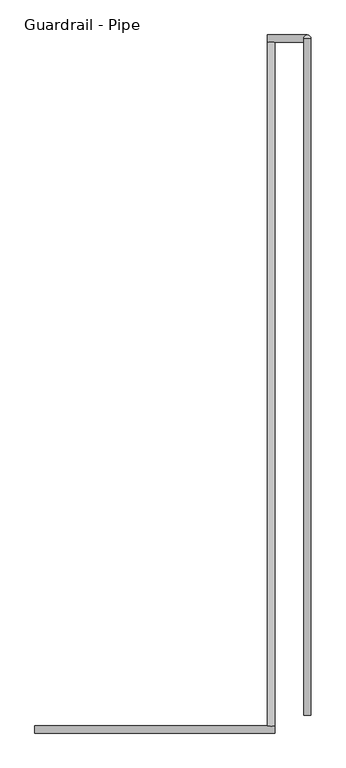
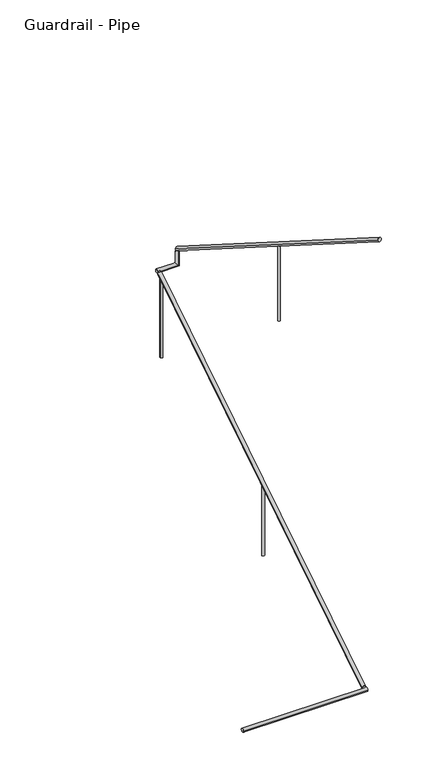
"""IFC4 building model written with IfcOpenShell, lengths in millimetres: railing geometry, Guardrail - Pipe."""

from ifc_helpers import new_model, si_unit, frame, origin, place, context, project, spatial, circle_curve, ellipse_curve, source, transform, mapped, element, save
from ifc_brep_helpers import plane_surface, cylinder_surface, advanced_brep


def guardrail_pipe_96e6d972(model_context):
    return source(origin(), model_context, "Body", "AdvancedBrep", [
        advanced_brep(
        [(662052.3754676, -293402.5580223, 880.1377262), (662090.4754676, -293402.5580223, 880.1377262), (662052.3754676, -289732.2580223, 3203.4252683), (662090.4754676, -289732.2580223, 3203.4252683)],
        [
            (0, 1, ellipse_curve(frame((662071.4254676, -293402.5580223, 880.1377262), z_axis=(0.0, -1.0, 0.0), x_axis=(0.0, 0.0, -1.0)), 22.5457755, 19.05)),
            (1, 0, ellipse_curve(frame((662071.4254676, -293402.5580223, 880.1377262), z_axis=(0.0, -1.0, 0.0), x_axis=(0.0, 0.0, -1.0)), 22.5457755, 19.05)),
            (2, 3, ellipse_curve(frame((662071.4254676, -289732.2580223, 3203.4252683), z_axis=(0.0, 1.0, 0.0), x_axis=(0.0, 0.0, -1.0)), 22.5457755, 19.05)),
            (3, 2, ellipse_curve(frame((662071.4254676, -289732.2580223, 3203.4252683), z_axis=(0.0, 1.0, 0.0), x_axis=(0.0, 0.0, -1.0)), 22.5457755, 19.05)),
            (1, 3),
            (2, 0),
        ],
        [
            plane_surface(frame((662071.4254676, -293402.5580223, 902.6835017), z_axis=(0.0, -1.0, 0.0), x_axis=(0.0, 0.0, 1.0))),
            plane_surface(frame((662071.4254676, -289732.2580223, 3225.9710438), z_axis=(0.0, 1.0, 0.0), x_axis=(0.0, 0.0, 1.0))),
            cylinder_surface(frame((662071.4254676, -293392.3691486, 886.587249), z_axis=(0.0, -0.8449476488296452, -0.5348490167675869), x_axis=(1.0, 0.0, 0.0)), 19.05),
        ],
        [
            (0, [[1, 2]]),
            (1, [[3, 4]]),
            (2, [[-2, 5, -3, 6]]),
            (2, [[-1, -6, -4, -5]]),
        ],
    ),
        advanced_brep(
        [(662052.3754676, -289694.1580223, 3218.9796296), (662052.3754676, -289732.2580223, 3218.9796296), (662265.9457983, -289732.2580223, 3218.9796296), (662265.9457983, -289694.1580223, 3218.9796296), (662265.9457983, -289694.1580223, 3357.738752), (662265.9457983, -289732.2580223, 3381.8559237)],
        [
            (0, 1, circle_curve(frame((662052.3754676, -289713.2080223, 3218.9796296), z_axis=(-1.0, 0.0, 0.0), x_axis=(0.0, -1.0, 0.0)), 19.05)),
            (1, 0, circle_curve(frame((662052.3754676, -289713.2080223, 3218.9796296), z_axis=(-1.0, 0.0, 0.0), x_axis=(0.0, -1.0, 0.0)), 19.05)),
            (1, 2),
            (2, 3, ellipse_curve(frame((662265.9457983, -289713.2080223, 3218.9796296), z_axis=(-0.7071067811865475, 0.0, -0.7071067811865475), x_axis=(-0.7071067811865476, 0.0, 0.7071067811865474)), 26.9407684, 19.05)),
            (3, 0),
            (3, 2, ellipse_curve(frame((662265.9457983, -289713.2080223, 3218.9796296), z_axis=(-0.7071067811865475, 0.0, -0.7071067811865475), x_axis=(-0.7071067811865476, 0.0, 0.7071067811865474)), 26.9407684, 19.05)),
            (4, 5, ellipse_curve(frame((662265.9457983, -289713.2080223, 3369.7973379), z_axis=(0.0, 0.5348490167675869, 0.8449476488296452), x_axis=(0.0, 0.8449476488296452, -0.5348490167675869)), 22.5457755, 19.05)),
            (5, 4, ellipse_curve(frame((662265.9457983, -289713.2080223, 3369.7973379), z_axis=(0.0, 0.5348490167675869, 0.8449476488296452), x_axis=(0.0, 0.8449476488296452, -0.5348490167675869)), 22.5457755, 19.05)),
            (2, 5),
            (4, 3),
        ],
        [
            plane_surface(frame((662052.3754676, -289713.2080223, 3238.0296296), z_axis=(-1.0, 0.0, 0.0), x_axis=(0.0, 1.0, 0.0))),
            cylinder_surface(frame((662052.3754676, -289713.2080223, 3218.9796296), z_axis=(-1.0, 0.0, 0.0), x_axis=(0.0, -1.0, 0.0)), 19.05),
            plane_surface(frame((662246.8957983, -289713.2080223, 3369.7973379), z_axis=(0.0, 0.5348490167675869, 0.8449476488296452), x_axis=(1.0, 0.0, 0.0))),
            cylinder_surface(frame((662265.9457983, -289713.2080223, 3238.0296296), z_axis=(0.0, 0.0, -1.0), x_axis=(0.0, -1.0, 0.0)), 19.05),
        ],
        [
            (0, [[1, 2]]),
            (1, [[-2, 3, 4, 5]]),
            (1, [[-1, -5, 6, -3]]),
            (2, [[7, 8]]),
            (3, [[-4, 9, -7, 10]]),
            (3, [[-6, -10, -8, -9]]),
        ],
    ),
        advanced_brep(
        [(662284.9957983, -289713.2080223, 3392.3431134), (662246.8957983, -289713.2080223, 3392.3431134), (662284.9957983, -293345.4080223, 5691.5134838), (662246.8957983, -293345.4080223, 5691.5134838)],
        [
            (0, 1, ellipse_curve(frame((662265.9457983, -289713.2080223, 3392.3431134), z_axis=(0.0, 1.0, 0.0), x_axis=(0.0, 0.0, -1.0)), 22.5457755, 19.05)),
            (1, 0, ellipse_curve(frame((662265.9457983, -289713.2080223, 3392.3431134), z_axis=(0.0, 1.0, 0.0), x_axis=(0.0, 0.0, -1.0)), 22.5457755, 19.05)),
            (2, 3, ellipse_curve(frame((662265.9457983, -293345.4080223, 5691.5134838), z_axis=(0.0, -1.0, 0.0), x_axis=(0.0, 0.0, -1.0)), 22.5457755, 19.05)),
            (3, 2, ellipse_curve(frame((662265.9457983, -293345.4080223, 5691.5134838), z_axis=(0.0, -1.0, 0.0), x_axis=(0.0, 0.0, -1.0)), 22.5457755, 19.05)),
            (1, 3),
            (2, 0),
        ],
        [
            plane_surface(frame((662265.9457983, -289713.2080223, 3414.8888889), z_axis=(0.0, 1.0, 0.0), x_axis=(0.0, 0.0, -1.0))),
            plane_surface(frame((662265.9457983, -293345.4080223, 5714.0592593), z_axis=(0.0, -1.0, 0.0), x_axis=(0.0, 0.0, -1.0))),
            cylinder_surface(frame((662265.9457983, -289723.3968961, 3398.7926362), z_axis=(0.0, 0.8449476488296452, -0.5348490167675869), x_axis=(-1.0, 0.0, 0.0)), 19.05),
        ],
        [
            (0, [[1, 2]]),
            (1, [[3, 4]]),
            (2, [[-2, 5, -3, 6]]),
            (2, [[-1, -6, -4, -5]]),
        ],
    ),
        advanced_brep(
        [(660801.4254676, -293402.5580223, 871.5749158), (660801.4254676, -293440.6580223, 871.5749158), (662090.4754676, -293402.5580223, 871.5749158), (662090.4754676, -293440.6580223, 871.5749158)],
        [
            (0, 1, circle_curve(frame((660801.4254676, -293421.6080223, 871.5749158), z_axis=(-1.0, 0.0, 0.0), x_axis=(0.0, -1.0, 0.0)), 19.05)),
            (1, 0, circle_curve(frame((660801.4254676, -293421.6080223, 871.5749158), z_axis=(-1.0, 0.0, 0.0), x_axis=(0.0, -1.0, 0.0)), 19.05)),
            (2, 3, circle_curve(frame((662090.4754676, -293421.6080223, 871.5749158), z_axis=(1.0, 0.0, 0.0), x_axis=(0.0, -1.0, 0.0)), 19.05)),
            (3, 2, circle_curve(frame((662090.4754676, -293421.6080223, 871.5749158), z_axis=(1.0, 0.0, 0.0), x_axis=(0.0, -1.0, 0.0)), 19.05)),
            (0, 2),
            (3, 1),
        ],
        [
            plane_surface(frame((660801.4254676, -293421.6080223, 890.6249158), z_axis=(-1.0, 0.0, 0.0), x_axis=(0.0, 1.0, 0.0))),
            plane_surface(frame((662090.4754676, -293421.6080223, 890.6249158), z_axis=(1.0, 0.0, 0.0), x_axis=(0.0, 1.0, 0.0))),
            cylinder_surface(frame((660801.4254676, -293421.6080223, 871.5749158), z_axis=(-1.0, 0.0, 0.0), x_axis=(0.0, -1.0, 0.0)), 19.05),
        ],
        [
            (0, [[1, 2]]),
            (1, [[3, 4]]),
            (2, [[-1, 5, -4, 6]]),
            (2, [[-2, -6, -3, -5]]),
        ],
    ),
        advanced_brep(
        [(662253.2457983, -291542.0080223, 4527.4215803), (662253.2457983, -291542.0080223, 3714.0444444), (662278.6457983, -291542.0080223, 3714.0444444), (662278.6457983, -291542.0080223, 4527.4215803)],
        [
            (0, 1),
            (1, 2, circle_curve(frame((662265.9457983, -291542.0080223, 3714.0444444), z_axis=(0.0, 0.0, 1.0), x_axis=(1.0, 0.0, 0.0)), 12.7)),
            (2, 3),
            (3, 0, ellipse_curve(frame((662265.9457983, -291542.0080223, 4527.4215803), z_axis=(0.0, -0.5348490167675828, -0.844947648829648), x_axis=(0.0, -0.8449476488296481, 0.5348490167675825)), 15.030517, 12.7)),
            (0, 3, ellipse_curve(frame((662265.9457983, -291542.0080223, 4527.4215803), z_axis=(0.0, -0.5348490167675828, -0.844947648829648), x_axis=(0.0, -0.8449476488296481, 0.5348490167675825)), 15.030517, 12.7)),
            (2, 1, circle_curve(frame((662265.9457983, -291542.0080223, 3714.0444444), z_axis=(0.0, 0.0, 1.0), x_axis=(1.0, 0.0, 0.0)), 12.7)),
        ],
        [
            cylinder_surface(frame((662265.9457983, -291542.0080223, 3485.4444444), z_axis=(0.0, 0.0, 1.0), x_axis=(1.0, 0.0, 0.0)), 12.7),
            plane_surface(frame((662291.3457983, -291567.4080223, 4543.4996948), z_axis=(0.0, 0.5348490167675828, 0.844947648829648), x_axis=(-1.0, 0.0, 0.0))),
            plane_surface(frame((662291.3457983, -291516.6080223, 3714.0444444), z_axis=(0.0, 0.0, -1.0), x_axis=(-1.0, 0.0, 0.0))),
        ],
        [
            (0, [[1, 2, 3, 4]]),
            (0, [[-1, 5, -3, 6]]),
            (1, [[-4, -5]]),
            (2, [[-2, -6]]),
        ],
    ),
        advanced_brep(
        [(662084.1254676, -289764.0080223, 3160.7818497), (662084.1254676, -289764.0080223, 2299.1703704), (662058.7254676, -289764.0080223, 2299.1703704), (662058.7254676, -289764.0080223, 3160.7818497)],
        [
            (0, 1),
            (1, 2, circle_curve(frame((662071.4254676, -289764.0080223, 2299.1703704), z_axis=(0.0, 0.0, 1.0), x_axis=(-1.0, 0.0, 0.0)), 12.7)),
            (2, 3),
            (3, 0, ellipse_curve(frame((662071.4254676, -289764.0080223, 3160.7818497), z_axis=(0.0, 0.534849016767586, -0.8449476488296459), x_axis=(0.0, 0.8449476488296459, 0.5348490167675857)), 15.030517, 12.7)),
            (0, 3, ellipse_curve(frame((662071.4254676, -289764.0080223, 3160.7818497), z_axis=(0.0, 0.534849016767586, -0.8449476488296459), x_axis=(0.0, 0.8449476488296459, 0.5348490167675857)), 15.030517, 12.7)),
            (2, 1, circle_curve(frame((662071.4254676, -289764.0080223, 2299.1703704), z_axis=(0.0, 0.0, 1.0), x_axis=(-1.0, 0.0, 0.0)), 12.7)),
        ],
        [
            cylinder_surface(frame((662071.4254676, -289764.0080223, 2070.5703704), z_axis=(0.0, 0.0, 1.0), x_axis=(-1.0, 0.0, 0.0)), 12.7),
            plane_surface(frame((662046.0254676, -289738.6080223, 3176.8599642), z_axis=(0.0, -0.534849016767586, 0.8449476488296459), x_axis=(1.0, 0.0, 0.0))),
            plane_surface(frame((662046.0254676, -289789.4080223, 2299.1703704), z_axis=(0.0, 0.0, -1.0), x_axis=(1.0, 0.0, 0.0))),
        ],
        [
            (0, [[1, 2, 3, 4]]),
            (0, [[-1, 5, -3, 6]]),
            (1, [[-4, -5]]),
            (2, [[-2, -6]]),
        ],
    ),
        advanced_brep(
        [(662084.1254676, -291592.8080223, 2003.1576072), (662084.1254676, -291592.8080223, 1238.0148148), (662058.7254676, -291592.8080223, 1238.0148148), (662058.7254676, -291592.8080223, 2003.1576072)],
        [
            (0, 1),
            (1, 2, circle_curve(frame((662071.4254676, -291592.8080223, 1238.0148148), z_axis=(0.0, 0.0, 1.0), x_axis=(-1.0, 0.0, 0.0)), 12.7)),
            (2, 3),
            (3, 0, ellipse_curve(frame((662071.4254676, -291592.8080223, 2003.1576072), z_axis=(0.0, 0.5348490167675843, -0.8449476488296469), x_axis=(0.0, 0.8449476488296469, 0.5348490167675843)), 15.030517, 12.7)),
            (0, 3, ellipse_curve(frame((662071.4254676, -291592.8080223, 2003.1576072), z_axis=(0.0, 0.5348490167675843, -0.8449476488296469), x_axis=(0.0, 0.8449476488296469, 0.5348490167675843)), 15.030517, 12.7)),
            (2, 1, circle_curve(frame((662071.4254676, -291592.8080223, 1238.0148148), z_axis=(0.0, 0.0, 1.0), x_axis=(-1.0, 0.0, 0.0)), 12.7)),
        ],
        [
            cylinder_surface(frame((662071.4254676, -291592.8080223, 1009.4148148), z_axis=(0.0, 0.0, 1.0), x_axis=(-1.0, 0.0, 0.0)), 12.7),
            plane_surface(frame((662046.0254676, -291567.4080223, 2019.2357217), z_axis=(0.0, -0.5348490167675843, 0.8449476488296469), x_axis=(1.0, 0.0, 0.0))),
            plane_surface(frame((662046.0254676, -291618.2080223, 1238.0148148), z_axis=(0.0, 0.0, -1.0), x_axis=(1.0, 0.0, 0.0))),
        ],
        [
            (0, [[1, 2, 3, 4]]),
            (0, [[-1, 5, -3, 6]]),
            (1, [[-4, -5]]),
            (2, [[-2, -6]]),
        ],
    ),
    ])


if __name__ == "__main__":
    model = new_model("IFC4")
    model_context = context("Model", 3, world=origin())
    ifc_project = project(units=[si_unit("LENGTHUNIT", "METRE", prefix="MILLI")], contexts=[model_context])
    site = spatial("IfcSite", under=ifc_project)
    building = spatial("IfcBuilding", under=site)
    placement = place(None, origin())
    guardrail_pipe_shape = guardrail_pipe_96e6d972(model_context)
    element("IfcRailing", 1, ObjectType="Guardrail - Pipe", at=placement, inside=building, context=model_context, shape_type="MappedRepresentation", body=[
        mapped(guardrail_pipe_shape, transform((0.0, 0.0, 0.0), x_axis=(1.0, 0.0, 0.0), y_axis=(0.0, 1.0, 0.0), z_axis=(0.0, 0.0, 1.0))),
    ])
    save(model, "model.ifc")
